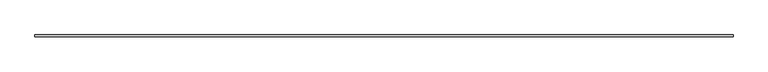
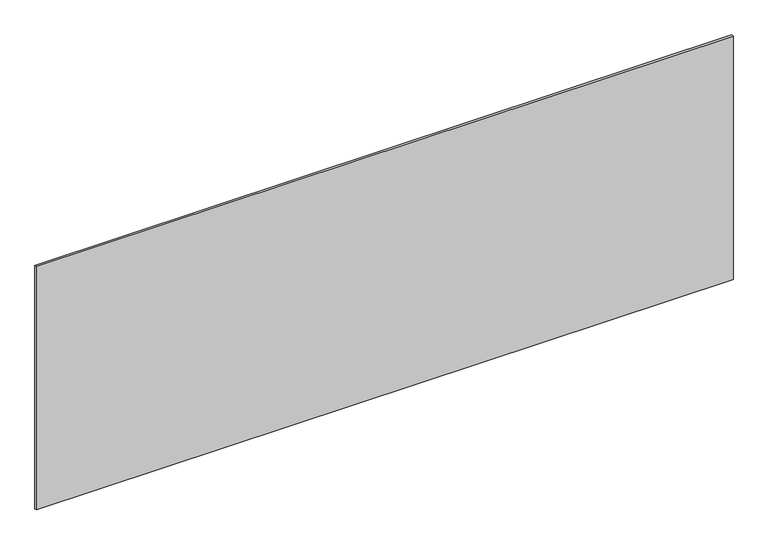
"""IFC4 building model written with IfcOpenShell, lengths in millimetres: plate geometry."""

from ifc_helpers import new_model, si_unit, origin, origin_with_axes, place, context, project, spatial, polyline, outline, extrude, source, transform, mapped, element, save


def plate_67858f40(model_context):
    return source(origin(), model_context, "Body", "SweptSolid", [
        extrude(outline(polyline([(1715.0, -5.0), (-1715.0, -5.0), (-1715.0, 5.0), (1715.0, 5.0), (1715.0, -5.0)])), origin_with_axes(), (0.0, 0.0, 1.0), 1266.9562992),
    ])


if __name__ == "__main__":
    model = new_model("IFC4")
    model_context = context("Model", 3, world=origin())
    ifc_project = project(units=[si_unit("LENGTHUNIT", "METRE", prefix="MILLI")], contexts=[model_context])
    site = spatial("IfcSite", under=ifc_project)
    building = spatial("IfcBuilding", under=site)
    placement = place(None, origin())
    plate_shape = plate_67858f40(model_context)
    element("IfcPlate", 1, at=placement, inside=building, context=model_context, shape_type="MappedRepresentation", body=[
        mapped(plate_shape, transform((0.0, 0.0, 0.0), x_axis=(1.0, 0.0, 0.0), y_axis=(0.0, 1.0, 0.0), z_axis=(0.0, 0.0, 1.0))),
    ])
    save(model, "model.ifc")
